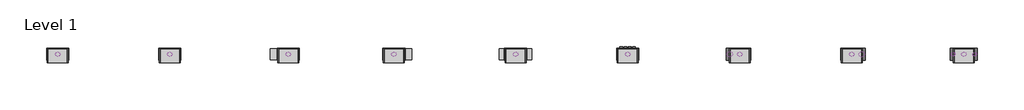
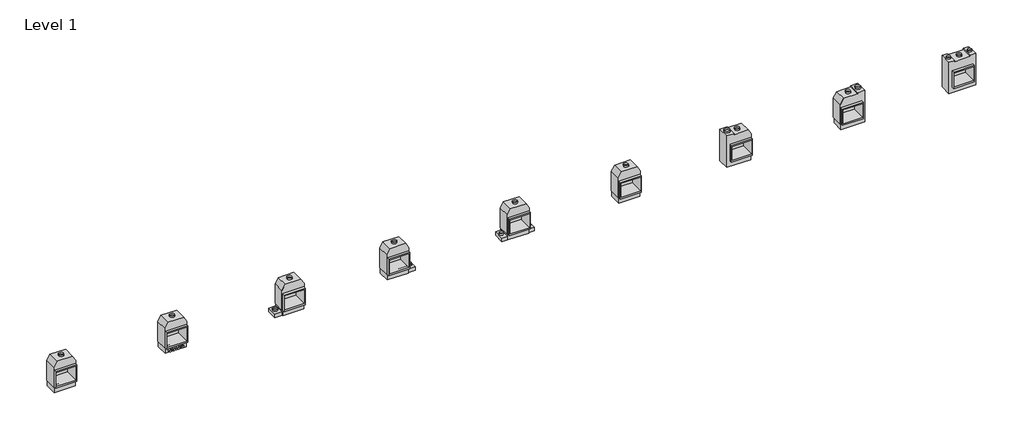
# One storey: 36 proxies.
"""IFC4 building model written with IfcOpenShell, lengths in millimetres."""

import ifcopenshell
import ifcopenshell.guid

model = None  # the IFC model being written
_history = None  # IfcOwnerHistory: only IFC2X3 demands one
_inside = {}  # id of a spatial element -> (the spatial element, [elements in it])
_under = {}  # id of a project, library or spatial element -> (it, [spatial elements below it])
_declared = {}  # id of a project -> (the project, [libraries it declares])
_typed = {}  # id of a type object -> (the type object, [elements of that type])
_made_of = {}  # id of a material, layer set ... -> (it, [elements and type objects made of it])


def new_model(schema):
    """Start an empty IFC model of exactly this schema.

    Asked for "IFC4X3", IfcOpenShell would pick the latest addendum, in which some entities
    have other attributes; the version numbers below select the first issue.
    IFC2X3 requires an IfcOwnerHistory on every rooted entity: one is made here for all.
    """
    global model, _history
    if schema == "IFC4X3":
        model = ifcopenshell.file(schema_version=(4, 3, 0, 0))
    else:
        model = ifcopenshell.file(schema=schema)
    _inside.clear()
    _under.clear()
    _declared.clear()
    _typed.clear()
    _made_of.clear()
    _history = None
    if model.schema == "IFC2X3":
        org = make("IfcOrganization", Name="unknown")
        user = make(
            "IfcPersonAndOrganization",
            ThePerson=make("IfcPerson", FamilyName="unknown"),
            TheOrganization=org,
        )
        app = make(
            "IfcApplication",
            ApplicationDeveloper=org,
            Version="unknown",
            ApplicationFullName="unknown",
            ApplicationIdentifier="unknown",
        )
        _history = make(
            "IfcOwnerHistory",
            OwningUser=user,
            OwningApplication=app,
            ChangeAction="ADDED",
            CreationDate=0,
        )
    return model


def make(cls, **values):
    """One entity of the class cls with the attributes given. An attribute that is None is left unset."""
    return model.create_entity(
        cls, **{name: value for name, value in values.items() if value is not None}
    )


def rooted(cls, **values):
    """An entity with a GlobalId (a new one), such as an element, a storey or a relation."""
    return make(cls, GlobalId=ifcopenshell.guid.new(), OwnerHistory=_history, **values)


def si_unit(unit_type, name, prefix=None):
    """IfcSIUnit, for example si_unit("LENGTHUNIT", "METRE", prefix="MILLI")."""
    return make("IfcSIUnit", UnitType=unit_type, Prefix=prefix, Name=name)


def assignment(units):
    """IfcUnitAssignment: the units of a project."""
    return None if units is None else make("IfcUnitAssignment", Units=units)


def point(xyz):
    """IfcCartesianPoint."""
    return None if xyz is None else make("IfcCartesianPoint", Coordinates=xyz)


def direction(xyz):
    """IfcDirection."""
    return None if xyz is None else make("IfcDirection", DirectionRatios=xyz)


def frame(location, z_axis=None, x_axis=None):
    """IfcAxis2Placement3D, a coordinate frame: its origin and axes. An axis left out is left unset."""
    return make(
        "IfcAxis2Placement3D",
        Location=point(location),
        Axis=direction(z_axis),
        RefDirection=direction(x_axis),
    )


def frame_2d(location, x_axis=None):
    """IfcAxis2Placement2D, a coordinate frame in the plane: its origin and x axis."""
    return make(
        "IfcAxis2Placement2D", Location=point(location), RefDirection=direction(x_axis)
    )


def origin():
    """The frame at (0, 0, 0) with its axes left unset."""
    return frame((0.0, 0.0, 0.0))


def origin_with_axes():
    """The frame at (0, 0, 0) with the z axis (0, 0, 1) and the x axis (1, 0, 0) written out."""
    return frame((0.0, 0.0, 0.0), z_axis=(0.0, 0.0, 1.0), x_axis=(1.0, 0.0, 0.0))


def origin_2d():
    """The frame at (0, 0) in the plane with its x axis left unset."""
    return frame_2d((0.0, 0.0))


def place(relative_to, where):
    """IfcLocalPlacement: puts the frame where relative to a parent placement (None: the world)."""
    return make(
        "IfcLocalPlacement", PlacementRelTo=relative_to, RelativePlacement=where
    )


def context(
    kind, dimensions, precision=None, world=None, true_north=None, identifier=None
):
    """IfcGeometricRepresentationContext, for example the 3D "Model" context."""
    return make(
        "IfcGeometricRepresentationContext",
        ContextIdentifier=identifier,
        ContextType=kind,
        CoordinateSpaceDimension=dimensions,
        Precision=precision,
        WorldCoordinateSystem=world,
        TrueNorth=true_north,
    )


def project(units=None, contexts=None):
    """IfcProject with its units and contexts."""
    return rooted(
        "IfcProject",
        Name="project",
        RepresentationContexts=contexts,
        UnitsInContext=assignment(units),
    )


def spatial(cls, under=None, at=None, **own):
    """A site, building, storey or space (cls), placed at a placement, below another one or the project."""
    s = rooted(cls, ObjectPlacement=at, **own)
    if under is not None:
        _under.setdefault(under.id(), (under, []))[1].append(s)
    return s


def polyline(points):
    """IfcPolyline through the points."""
    return make("IfcPolyline", Points=[point(p) for p in points])


def circle_curve(where, radius):
    """IfcCircle in the frame where."""
    return make("IfcCircle", Position=where, Radius=radius)


def trimmed(basis, trim1, trim2, sense, master):
    """IfcTrimmedCurve: the piece of a basis curve between two trims."""
    return make(
        "IfcTrimmedCurve",
        BasisCurve=basis,
        Trim1=trim1,
        Trim2=trim2,
        SenseAgreement=sense,
        MasterRepresentation=master,
    )


def segment(curve, same_sense, transition):
    """IfcCompositeCurveSegment."""
    return make(
        "IfcCompositeCurveSegment",
        Transition=transition,
        SameSense=same_sense,
        ParentCurve=curve,
    )


def composite_curve(segments, self_intersect=None):
    """IfcCompositeCurve: segments joined end to end."""
    return make("IfcCompositeCurve", Segments=segments, SelfIntersect=self_intersect)


def outline(outer, holes=None, kind="AREA"):
    """IfcArbitraryClosedProfileDef: a profile drawn as a closed curve; with holes, ...WithVoids."""
    if holes is None:
        return make("IfcArbitraryClosedProfileDef", ProfileType=kind, OuterCurve=outer)
    return make(
        "IfcArbitraryProfileDefWithVoids",
        ProfileType=kind,
        OuterCurve=outer,
        InnerCurves=holes,
    )


def extrude(swept, where, along, depth):
    """IfcExtrudedAreaSolid: the profile swept, set in the frame where, extruded along a direction by depth."""
    return make(
        "IfcExtrudedAreaSolid",
        SweptArea=swept,
        Position=where,
        ExtrudedDirection=direction(along),
        Depth=depth,
    )


def faces_of(points, faces, orient=None, outer=None):
    """IfcFace entities. A face is a list of loops; a loop is a list of indices into points, from 0.

    orient and outer hold one flag for each loop. By default every Orientation is true, the
    first loop of a face is its IfcFaceOuterBound and the others are IfcFaceBound.
    """
    made = []
    for i, loops in enumerate(faces):
        bounds = []
        for j, loop in enumerate(loops):
            is_outer = j == 0 if outer is None else outer[i][j]
            bounds.append(
                make(
                    "IfcFaceOuterBound" if is_outer else "IfcFaceBound",
                    Bound=make("IfcPolyLoop", Polygon=[points[k] for k in loop]),
                    Orientation=True if orient is None else orient[i][j],
                )
            )
        made.append(make("IfcFace", Bounds=bounds))
    return made


def faceted_brep(points, faces, orient=None, outer=None, voids=None):
    """IfcFacetedBrep: a solid bounded by flat faces; with voids (closed shells), ...WithVoids."""
    shared = [point(p) for p in points]
    hull = make("IfcClosedShell", CfsFaces=faces_of(shared, faces, orient, outer))
    if voids is None:
        return make("IfcFacetedBrep", Outer=hull)
    return make(
        "IfcFacetedBrepWithVoids",
        Outer=hull,
        Voids=[
            make(cls, CfsFaces=faces_of(shared, fs, o, b)) for cls, fs, o, b in voids
        ],
    )


def shape(context_of_items, identifier, shape_type, items):
    """IfcShapeRepresentation: the items that make up one representation, for example the "Body"."""
    return make(
        "IfcShapeRepresentation",
        ContextOfItems=context_of_items,
        RepresentationIdentifier=identifier,
        RepresentationType=shape_type,
        Items=items,
    )


def source(mapping_origin, context_of_items, identifier, shape_type, items):
    """IfcRepresentationMap: a shape defined once, which mapped items show again and again."""
    return make(
        "IfcRepresentationMap",
        MappingOrigin=mapping_origin,
        MappedRepresentation=shape(context_of_items, identifier, shape_type, items),
    )


def transform(
    local_origin,
    x_axis=None,
    y_axis=None,
    z_axis=None,
    scale=None,
    scale2=None,
    scale3=None,
    uniform=True,
):
    """IfcCartesianTransformationOperator3D, or its non-uniform kind. x_axis, y_axis, z_axis: its Axis1, 2, 3."""
    if uniform:
        return make(
            "IfcCartesianTransformationOperator3D",
            Axis1=direction(x_axis),
            Axis2=direction(y_axis),
            LocalOrigin=point(local_origin),
            Scale=scale,
            Axis3=direction(z_axis),
        )
    return make(
        "IfcCartesianTransformationOperator3DnonUniform",
        Axis1=direction(x_axis),
        Axis2=direction(y_axis),
        LocalOrigin=point(local_origin),
        Scale=scale,
        Axis3=direction(z_axis),
        Scale2=scale2,
        Scale3=scale3,
    )


def mapped(mapping_source, mapping_target):
    """IfcMappedItem: shows the shape of a source again, moved by a transform."""
    return make(
        "IfcMappedItem", MappingSource=mapping_source, MappingTarget=mapping_target
    )


def made_of(thing, what):
    """Note that an element or type object is made of a material, layer set ...; save() writes the relation."""
    if what is not None:
        _made_of.setdefault(what.id(), (what, []))[1].append(thing)
    return thing


def element(
    cls,
    number,
    at=None,
    inside=None,
    cuts=None,
    type_object=None,
    material=None,
    context=None,
    identifier="Body",
    shape_type=None,
    held_by="IfcProductDefinitionShape",
    body=None,
    shapes=None,
    **own,
):
    """One element of the class cls, such as IfcWall. Its Tag is "e" and its number.

    at: its placement. inside: the storey or other place that contains it. cuts: it is an
    opening in that element (IfcRelVoidsElement). A single representation is given by context,
    identifier, shape_type and body (its items); several are given by shapes. held_by: the class
    of the entity that holds the representations. save() writes the other relations.
    """
    e = rooted(cls, Tag="e%d" % number, ObjectPlacement=at, **own)
    if body is not None:
        shapes = [shape(context, identifier, shape_type, body)]
    if shapes is not None:
        e.Representation = make(held_by, Representations=shapes)
    if inside is not None:
        _inside.setdefault(inside.id(), (inside, []))[1].append(e)
    if cuts is not None:
        rooted(
            "IfcRelVoidsElement", RelatingBuildingElement=cuts, RelatedOpeningElement=e
        )
    if type_object is not None:
        _typed.setdefault(type_object.id(), (type_object, []))[1].append(e)
    return made_of(e, material)


def aggregate(whole, parts):
    """IfcRelAggregates: a whole, such as a stair, and the parts it consists of."""
    return rooted("IfcRelAggregates", RelatingObject=whole, RelatedObjects=parts)


def save(model, path):
    """Write the relations noted so far, then the file.

    IfcRelAggregates (storeys below a building ...), IfcRelContainedInSpatialStructure (elements
    in a storey), IfcRelDefinesByType, IfcRelAssociatesMaterial and IfcRelDeclares: one each for
    every whole, place, type object, material and project.
    """
    for whole, parts in _under.values():
        aggregate(whole, parts)
    for where, things in _inside.values():
        rooted(
            "IfcRelContainedInSpatialStructure",
            RelatedElements=things,
            RelatingStructure=where,
        )
    for kind, things in _typed.values():
        rooted("IfcRelDefinesByType", RelatedObjects=things, RelatingType=kind)
    for what, things in _made_of.values():
        rooted("IfcRelAssociatesMaterial", RelatedObjects=things, RelatingMaterial=what)
    for by, libraries in _declared.values():
        rooted("IfcRelDeclares", RelatingContext=by, RelatedDefinitions=libraries)
    model.write(path)


def as_specified_c74ec6d7(model_context):
    return source(origin(), model_context, "Body", "SolidModel", [
        extrude(outline(polyline([(660.4, 465.4351562), (660.4, -633.1148438), (-660.4, -633.1148438), (-660.4, 465.4351562), (660.4, 465.4351562)]), holes=[polyline([(-609.6, 389.2748437), (-609.6, -525.1251563), (609.6, -525.1251563), (609.6, 389.2748437), (-609.6, 389.2748437)])]), frame((0.0, 0.0, -762.0), z_axis=(0.0, 0.0, 1.0), x_axis=(1.0, 0.0, 0.0)), (0.0, 0.0, 1.0), 901.7),
        faceted_brep([(660.4, -1014.1148438, -787.4), (-660.4, -1014.1148438, -787.4), (-660.4, -633.1148438, -787.4), (-698.5, -633.1148438, -787.4), (-698.5, 668.6748437, -787.4), (-499.060123, 1014.1148437, -787.4), (499.060123, 1014.1148437, -787.4), (698.5, 668.6748437, -787.4), (698.5, -633.1148438, -787.4), (660.4, -633.1148438, -787.4), (660.4, -1014.1148438, -25.4), (660.4, -633.1148438, -25.4), (698.5, -633.1148438, -25.4), (698.5, 668.6748437, -25.4), (499.060123, 1014.1148437, -25.4), (-499.060123, 1014.1148437, -25.4), (-698.5, 668.6748437, -25.4), (-698.5, -633.1148438, -25.4), (-660.4, -633.1148438, -25.4), (-660.4, -1014.1148438, -25.4), (609.6, 389.2748437, -25.4), (609.6, -525.1251563, -25.4), (-609.6, -525.1251563, -25.4), (-609.6, 389.2748437, -25.4), (609.6, 389.2748437, -762.0), (-609.6, 389.2748437, -762.0), (-609.6, -525.1251563, -762.0), (609.6, -525.1251563, -762.0)], [[[0, 1, 2, 3, 4, 5, 6, 7, 8, 9]], [[10, 11, 12, 13, 14, 15, 16, 17, 18, 19], [20, 21, 22, 23]], [[6, 5, 15, 14]], [[3, 17, 16, 4]], [[17, 3, 2, 18]], [[8, 12, 11, 9]], [[12, 8, 7, 13]], [[0, 9, 11, 10]], [[2, 1, 19, 18]], [[1, 0, 10, 19]], [[5, 4, 16, 15]], [[7, 6, 14, 13]], [[24, 25, 26, 27]], [[24, 27, 21, 20]], [[27, 26, 22, 21]], [[26, 25, 23, 22]], [[25, 24, 20, 23]]]),
    ])


def as_specified_68fc93c4(model_context):
    return source(origin(), model_context, "Body", "SolidModel", [
        extrude(outline(polyline([(660.4, 465.534375), (660.4, -633.015625), (-660.4, -633.015625), (-660.4, 465.534375), (660.4, 465.534375)]), holes=[polyline([(-609.6, 389.3740625), (-609.6, -525.0259375), (609.6, -525.0259375), (609.6, 389.3740625), (-609.6, 389.3740625)])]), frame((0.0, 0.0, -762.0), z_axis=(0.0, 0.0, 1.0), x_axis=(1.0, 0.0, 0.0)), (0.0, 0.0, 1.0), 901.7),
        faceted_brep([(850.9, -1014.015625, -787.4), (-850.9, -1014.015625, -787.4), (-850.9, 1090.374375, -787.4), (-495.3, 1090.374375, -787.4), (-495.3, 1014.015625, -787.4), (495.3, 1014.015625, -787.4), (495.3, 1090.374375, -787.4), (850.9, 1090.374375, -787.4), (850.9, 1090.374375, -25.4), (495.3, 1090.374375, -25.4), (495.3, 1014.015625, -25.4), (-495.3, 1014.015625, -25.4), (-495.3, 1090.374375, -25.4), (-850.9, 1090.374375, -25.4), (-850.9, -1014.015625, -25.4), (850.9, -1014.015625, -25.4), (609.6, 389.3740625, -25.4), (609.6, -525.0259375, -25.4), (-609.6, -525.0259375, -25.4), (-609.6, 389.3740625, -25.4), (609.6, 389.3740625, -762.0), (-609.6, 389.3740625, -762.0), (-609.6, -525.0259375, -762.0), (609.6, -525.0259375, -762.0)], [[[0, 1, 2, 3, 4, 5, 6, 7]], [[8, 9, 10, 11, 12, 13, 14, 15], [16, 17, 18, 19]], [[4, 11, 10, 5]], [[14, 1, 0, 15]], [[20, 21, 22, 23]], [[20, 23, 17, 16]], [[23, 22, 18, 17]], [[22, 21, 19, 18]], [[21, 20, 16, 19]], [[1, 14, 13, 2]], [[0, 7, 8, 15]], [[3, 2, 13, 12]], [[4, 3, 12, 11]], [[7, 6, 9, 8]], [[6, 5, 10, 9]]]),
    ])


def as_specified_e0f80847(model_context):
    return source(origin(), model_context, "Body", "SolidModel", [
        extrude(outline(polyline([(660.4, 465.4351562), (660.4, -633.1148438), (-660.4, -633.1148438), (-660.4, 465.4351562), (660.4, 465.4351562)]), holes=[polyline([(-609.6, 389.2748437), (-609.6, -525.1251563), (609.6, -525.1251563), (609.6, 389.2748437), (-609.6, 389.2748437)])]), frame((0.0, 0.0, -762.0), z_axis=(0.0, 0.0, 1.0), x_axis=(1.0, 0.0, 0.0)), (0.0, 0.0, 1.0), 901.7),
        faceted_brep([(660.4, -633.1148438, -787.4), (660.4, -1014.1148438, -787.4), (-850.9, -1014.1148438, -787.4), (-850.9, 1090.2751562, -787.4), (-393.7, 1090.2751562, -787.4), (-393.7, 1014.1148437, -787.4), (499.060123, 1014.1148437, -787.4), (698.5, 709.6233299, -787.4), (698.5, -633.1148438, -787.4), (660.4, -1014.1148438, -25.4), (660.4, -633.1148438, -25.4), (698.5, -633.1148438, -25.4), (698.5, 709.6233299, -25.4), (499.060123, 1014.1148437, -25.4), (-393.7, 1014.1148437, -25.4), (-393.7, 1090.2751562, -25.4), (-850.9, 1090.2751562, -25.4), (-850.9, -1014.1148438, -25.4), (609.6, 389.2748437, -25.4), (609.6, -525.1251563, -25.4), (-609.6, -525.1251563, -25.4), (-609.6, 389.2748437, -25.4), (609.6, 389.2748437, -762.0), (-609.6, 389.2748437, -762.0), (-609.6, -525.1251563, -762.0), (609.6, -525.1251563, -762.0)], [[[0, 1, 2, 3, 4, 5, 6, 7, 8]], [[9, 10, 11, 12, 13, 14, 15, 16, 17], [18, 19, 20, 21]], [[13, 6, 5, 14]], [[8, 11, 10, 0]], [[11, 8, 7, 12]], [[1, 0, 10, 9]], [[1, 9, 17, 2]], [[7, 6, 13, 12]], [[22, 23, 24, 25]], [[22, 25, 19, 18]], [[25, 24, 20, 19]], [[24, 23, 21, 20]], [[23, 22, 18, 21]], [[3, 2, 17, 16]], [[5, 4, 15, 14]], [[4, 3, 16, 15]]]),
    ])


def as_specified_18c3cc98(model_context):
    return source(origin(), model_context, "Body", "SolidModel", [
        extrude(outline(polyline([(660.4, 465.4351562), (660.4, -633.1148438), (-660.4, -633.1148438), (-660.4, 465.4351562), (660.4, 465.4351562)]), holes=[polyline([(-609.6, 389.2748437), (-609.6, -525.1251563), (609.6, -525.1251563), (609.6, 389.2748437), (-609.6, 389.2748437)])]), frame((0.0, 0.0, -762.0), z_axis=(0.0, 0.0, 1.0), x_axis=(1.0, 0.0, 0.0)), (0.0, 0.0, 1.0), 901.7),
        faceted_brep([(-660.4, -1014.1148438, -787.4), (-660.4, -633.1148438, -787.4), (-698.5, -633.1148438, -787.4), (-698.5, 668.6748437, -787.4), (-499.060123, 1014.1148437, -787.4), (393.7, 1014.1148437, -787.4), (393.7, 1090.2751562, -787.4), (850.9, 1090.2751562, -787.4), (850.9, -1014.1148438, -787.4), (-660.4, -633.1148438, -25.4), (-660.4, -1014.1148438, -25.4), (850.9, -1014.1148438, -25.4), (850.9, 1090.2751562, -25.4), (393.7, 1090.2751562, -25.4), (393.7, 1014.1148437, -25.4), (-499.060123, 1014.1148437, -25.4), (-698.5, 668.6748437, -25.4), (-698.5, -633.1148438, -25.4), (609.6, 389.2748437, -25.4), (609.6, -525.1251563, -25.4), (-609.6, -525.1251563, -25.4), (-609.6, 389.2748437, -25.4), (609.6, 389.2748437, -762.0), (-609.6, 389.2748437, -762.0), (-609.6, -525.1251563, -762.0), (609.6, -525.1251563, -762.0)], [[[0, 1, 2, 3, 4, 5, 6, 7, 8]], [[9, 10, 11, 12, 13, 14, 15, 16, 17], [18, 19, 20, 21]], [[4, 15, 14, 5]], [[2, 17, 16, 3]], [[17, 2, 1, 9]], [[1, 0, 10, 9]], [[10, 0, 8, 11]], [[4, 3, 16, 15]], [[22, 23, 24, 25]], [[22, 25, 19, 18]], [[25, 24, 20, 19]], [[24, 23, 21, 20]], [[23, 22, 18, 21]], [[8, 7, 12, 11]], [[6, 5, 14, 13]], [[7, 6, 13, 12]]]),
    ])


def as_specified_1da4c982(model_context):
    return source(origin(), model_context, "Body", "SolidModel", [
        extrude(outline(polyline([(660.4, -1014.1148438), (660.4, -785.5148438), (1016.0, -785.5148438), (1016.0, -1014.1148438), (660.4, -1014.1148438)])), frame((0.0, 0.0, -749.3), z_axis=(0.0, 0.0, 1.0), x_axis=(1.0, 0.0, 0.0)), (0.0, 0.0, 1.0), 685.8),
        extrude(outline(polyline([(-660.4, -1014.1148438), (-1016.0, -1014.1148438), (-1016.0, -785.5148438), (-660.4, -785.5148438), (-660.4, -1014.1148438)])), frame((0.0, 0.0, -749.3), z_axis=(0.0, 0.0, 1.0), x_axis=(1.0, 0.0, 0.0)), (0.0, 0.0, 1.0), 685.8),
        extrude(outline(polyline([(660.4, 465.4351562), (660.4, -633.1148438), (-660.4, -633.1148438), (-660.4, 465.4351562), (660.4, 465.4351562)]), holes=[polyline([(-609.6, 389.2748437), (-609.6, -525.1251563), (609.6, -525.1251563), (609.6, 389.2748437), (-609.6, 389.2748437)])]), frame((0.0, 0.0, -762.0), z_axis=(0.0, 0.0, 1.0), x_axis=(1.0, 0.0, 0.0)), (0.0, 0.0, 1.0), 901.7),
        faceted_brep([(660.4, -1014.1148438, -787.4), (-660.4, -1014.1148438, -787.4), (-660.4, -633.1148438, -787.4), (-698.5, -633.1148438, -787.4), (-698.5, 668.6748437, -787.4), (-499.060123, 1014.1148437, -787.4), (499.060123, 1014.1148437, -787.4), (698.5, 668.6748437, -787.4), (698.5, -633.1148438, -787.4), (660.4, -633.1148438, -787.4), (660.4, -1014.1148438, -25.4), (660.4, -633.1148438, -25.4), (698.5, -633.1148438, -25.4), (698.5, 668.6748437, -25.4), (499.060123, 1014.1148437, -25.4), (-499.060123, 1014.1148437, -25.4), (-698.5, 668.6748437, -25.4), (-698.5, -633.1148438, -25.4), (-660.4, -633.1148438, -25.4), (-660.4, -1014.1148438, -25.4), (609.6, 389.2748437, -25.4), (609.6, -525.1251563, -25.4), (-609.6, -525.1251563, -25.4), (-609.6, 389.2748437, -25.4), (609.6, 389.2748437, -762.0), (-609.6, 389.2748437, -762.0), (-609.6, -525.1251563, -762.0), (609.6, -525.1251563, -762.0)], [[[0, 1, 2, 3, 4, 5, 6, 7, 8, 9]], [[10, 11, 12, 13, 14, 15, 16, 17, 18, 19], [20, 21, 22, 23]], [[6, 5, 15, 14]], [[3, 17, 16, 4]], [[17, 3, 2, 18]], [[8, 12, 11, 9]], [[12, 8, 7, 13]], [[0, 9, 11, 10]], [[2, 1, 19, 18]], [[1, 0, 10, 19]], [[5, 4, 16, 15]], [[7, 6, 14, 13]], [[24, 25, 26, 27]], [[24, 27, 21, 20]], [[27, 26, 22, 21]], [[26, 25, 23, 22]], [[25, 24, 20, 23]]]),
    ])


def as_specified_b45c2ce6(model_context):
    return source(origin(), model_context, "Body", "SolidModel", [
        extrude(outline(polyline([(-660.4, -1014.1148438), (-1117.6, -1014.1148438), (-1117.6, -785.5148438), (-660.4, -785.5148438), (-660.4, -1014.1148438)])), frame((0.0, 0.0, -749.3), z_axis=(0.0, 0.0, 1.0), x_axis=(1.0, 0.0, 0.0)), (0.0, 0.0, 1.0), 685.8),
        extrude(outline(polyline([(660.4, 465.4351562), (660.4, -633.1148438), (-660.4, -633.1148438), (-660.4, 465.4351562), (660.4, 465.4351562)]), holes=[polyline([(-609.6, 389.2748437), (-609.6, -525.1251563), (609.6, -525.1251563), (609.6, 389.2748437), (-609.6, 389.2748437)])]), frame((0.0, 0.0, -762.0), z_axis=(0.0, 0.0, 1.0), x_axis=(1.0, 0.0, 0.0)), (0.0, 0.0, 1.0), 901.7),
        faceted_brep([(660.4, -1014.1148438, -787.4), (-660.4, -1014.1148438, -787.4), (-660.4, -633.1148438, -787.4), (-698.5, -633.1148438, -787.4), (-698.5, 668.6748437, -787.4), (-499.060123, 1014.1148437, -787.4), (499.060123, 1014.1148437, -787.4), (698.5, 668.6748437, -787.4), (698.5, -633.1148438, -787.4), (660.4, -633.1148438, -787.4), (660.4, -1014.1148438, -25.4), (660.4, -633.1148438, -25.4), (698.5, -633.1148438, -25.4), (698.5, 668.6748437, -25.4), (499.060123, 1014.1148437, -25.4), (-499.060123, 1014.1148437, -25.4), (-698.5, 668.6748437, -25.4), (-698.5, -633.1148438, -25.4), (-660.4, -633.1148438, -25.4), (-660.4, -1014.1148438, -25.4), (609.6, 389.2748437, -25.4), (609.6, -525.1251563, -25.4), (-609.6, -525.1251563, -25.4), (-609.6, 389.2748437, -25.4), (609.6, 389.2748437, -762.0), (-609.6, 389.2748437, -762.0), (-609.6, -525.1251563, -762.0), (609.6, -525.1251563, -762.0)], [[[0, 1, 2, 3, 4, 5, 6, 7, 8, 9]], [[10, 11, 12, 13, 14, 15, 16, 17, 18, 19], [20, 21, 22, 23]], [[6, 5, 15, 14]], [[3, 17, 16, 4]], [[17, 3, 2, 18]], [[8, 12, 11, 9]], [[12, 8, 7, 13]], [[0, 9, 11, 10]], [[2, 1, 19, 18]], [[1, 0, 10, 19]], [[5, 4, 16, 15]], [[7, 6, 14, 13]], [[24, 25, 26, 27]], [[24, 27, 21, 20]], [[27, 26, 22, 21]], [[26, 25, 23, 22]], [[25, 24, 20, 23]]]),
    ])


def as_specified_1a4ea929(model_context):
    return source(origin(), model_context, "Body", "SolidModel", [
        extrude(outline(polyline([(660.4, -1014.1148438), (660.4, -785.5148438), (1117.6, -785.5148438), (1117.6, -1014.1148438), (660.4, -1014.1148438)])), frame((0.0, 0.0, -749.3), z_axis=(0.0, 0.0, 1.0), x_axis=(1.0, 0.0, 0.0)), (0.0, 0.0, 1.0), 685.8),
        extrude(outline(polyline([(660.4, 465.4351562), (660.4, -633.1148438), (-660.4, -633.1148438), (-660.4, 465.4351562), (660.4, 465.4351562)]), holes=[polyline([(-609.6, 389.2748437), (-609.6, -525.1251563), (609.6, -525.1251563), (609.6, 389.2748437), (-609.6, 389.2748437)])]), frame((0.0, 0.0, -762.0), z_axis=(0.0, 0.0, 1.0), x_axis=(1.0, 0.0, 0.0)), (0.0, 0.0, 1.0), 901.7),
        faceted_brep([(660.4, -1014.1148438, -787.4), (-660.4, -1014.1148438, -787.4), (-660.4, -633.1148438, -787.4), (-698.5, -633.1148438, -787.4), (-698.5, 668.6748437, -787.4), (-499.060123, 1014.1148437, -787.4), (499.060123, 1014.1148437, -787.4), (698.5, 668.6748437, -787.4), (698.5, -633.1148438, -787.4), (660.4, -633.1148438, -787.4), (660.4, -1014.1148438, -25.4), (660.4, -633.1148438, -25.4), (698.5, -633.1148438, -25.4), (698.5, 668.6748437, -25.4), (499.060123, 1014.1148437, -25.4), (-499.060123, 1014.1148437, -25.4), (-698.5, 668.6748437, -25.4), (-698.5, -633.1148438, -25.4), (-660.4, -633.1148438, -25.4), (-660.4, -1014.1148438, -25.4), (609.6, 389.2748437, -25.4), (609.6, -525.1251563, -25.4), (-609.6, -525.1251563, -25.4), (-609.6, 389.2748437, -25.4), (609.6, 389.2748437, -762.0), (-609.6, 389.2748437, -762.0), (-609.6, -525.1251563, -762.0), (609.6, -525.1251563, -762.0)], [[[0, 1, 2, 3, 4, 5, 6, 7, 8, 9]], [[10, 11, 12, 13, 14, 15, 16, 17, 18, 19], [20, 21, 22, 23]], [[6, 5, 15, 14]], [[3, 17, 16, 4]], [[17, 3, 2, 18]], [[8, 12, 11, 9]], [[12, 8, 7, 13]], [[0, 9, 11, 10]], [[2, 1, 19, 18]], [[1, 0, 10, 19]], [[5, 4, 16, 15]], [[7, 6, 14, 13]], [[24, 25, 26, 27]], [[24, 27, 21, 20]], [[27, 26, 22, 21]], [[26, 25, 23, 22]], [[25, 24, 20, 23]]]),
    ])


def proxy_d1c08f61(model_context):
    return source(origin(), model_context, "Body", "SweptSolid", [
        extrude(outline(composite_curve([segment(trimmed(circle_curve(origin_2d(), 127.0), [point((-127.0, 0.0))], [point((127.0, 0.0))], False, "CARTESIAN"), True, "CONTINUOUS"), segment(trimmed(circle_curve(origin_2d(), 127.0), [point((127.0, 0.0))], [point((-127.0, 0.0))], False, "CARTESIAN"), True, "CONTINUOUS")], self_intersect=False), holes=[composite_curve([segment(trimmed(circle_curve(origin_2d(), 125.4125), [point((-125.4125, 0.0))], [point((125.4125, 0.0))], True, "CARTESIAN"), True, "CONTINUOUS"), segment(trimmed(circle_curve(origin_2d(), 125.4125), [point((125.4125, 0.0))], [point((-125.4125, 0.0))], True, "CARTESIAN"), True, "CONTINUOUS")], self_intersect=False)]), origin_with_axes(), (0.0, 0.0, 1.0), 25.4),
    ])


def proxy_814ff0a6(model_context):
    return source(origin(), model_context, "Body", "SweptSolid", [
        extrude(outline(composite_curve([segment(trimmed(circle_curve(origin_2d(), 149.225), [point((-149.225, 0.0))], [point((149.225, 0.0))], False, "CARTESIAN"), True, "CONTINUOUS"), segment(trimmed(circle_curve(origin_2d(), 149.225), [point((149.225, 0.0))], [point((-149.225, 0.0))], False, "CARTESIAN"), True, "CONTINUOUS")], self_intersect=False), holes=[composite_curve([segment(trimmed(circle_curve(origin_2d(), 147.6375), [point((-147.6375, 0.0))], [point((147.6375, 0.0))], True, "CARTESIAN"), True, "CONTINUOUS"), segment(trimmed(circle_curve(origin_2d(), 147.6375), [point((147.6375, 0.0))], [point((-147.6375, 0.0))], True, "CARTESIAN"), True, "CONTINUOUS")], self_intersect=False)]), origin_with_axes(), (0.0, 0.0, 1.0), 101.6),
    ])


def proxy_99ad690b(model_context):
    return source(origin(), model_context, "Body", "SweptSolid", [
        extrude(outline(composite_curve([segment(trimmed(circle_curve(origin_2d(), 174.625), [point((-174.625, 0.0))], [point((174.625, 0.0))], False, "CARTESIAN"), True, "CONTINUOUS"), segment(trimmed(circle_curve(origin_2d(), 174.625), [point((174.625, 0.0))], [point((-174.625, 0.0))], False, "CARTESIAN"), True, "CONTINUOUS")], self_intersect=False), holes=[composite_curve([segment(trimmed(circle_curve(origin_2d(), 173.0375), [point((-173.0375, 0.0))], [point((173.0375, 0.0))], True, "CARTESIAN"), True, "CONTINUOUS"), segment(trimmed(circle_curve(origin_2d(), 173.0375), [point((173.0375, 0.0))], [point((-173.0375, 0.0))], True, "CARTESIAN"), True, "CONTINUOUS")], self_intersect=False)]), origin_with_axes(), (0.0, 0.0, 1.0), 101.6),
    ])


def proxy_768d9d94(model_context):
    return source(origin(), model_context, "Body", "SweptSolid", [
        extrude(outline(composite_curve([segment(trimmed(circle_curve(origin_2d(), 176.2125), [point((-176.2125, 0.0))], [point((176.2125, 0.0))], False, "CARTESIAN"), True, "CONTINUOUS"), segment(trimmed(circle_curve(origin_2d(), 176.2125), [point((176.2125, 0.0))], [point((-176.2125, 0.0))], False, "CARTESIAN"), True, "CONTINUOUS")], self_intersect=False), holes=[composite_curve([segment(trimmed(circle_curve(origin_2d(), 174.625), [point((-174.625, 0.0))], [point((174.625, 0.0))], True, "CARTESIAN"), True, "CONTINUOUS"), segment(trimmed(circle_curve(origin_2d(), 174.625), [point((174.625, 0.0))], [point((-174.625, 0.0))], True, "CARTESIAN"), True, "CONTINUOUS")], self_intersect=False)]), origin_with_axes(), (0.0, 0.0, 1.0), 101.6),
    ])


def proxy_925fb795(model_context):
    return source(origin(), model_context, "Body", "SweptSolid", [
        extrude(outline(composite_curve([segment(trimmed(circle_curve(origin_2d(), 150.8125), [point((-150.8125, 0.0))], [point((150.8125, 0.0))], False, "CARTESIAN"), True, "CONTINUOUS"), segment(trimmed(circle_curve(origin_2d(), 150.8125), [point((150.8125, 0.0))], [point((-150.8125, 0.0))], False, "CARTESIAN"), True, "CONTINUOUS")], self_intersect=False), holes=[composite_curve([segment(trimmed(circle_curve(origin_2d(), 149.225), [point((-149.225, 0.0))], [point((149.225, 0.0))], True, "CARTESIAN"), True, "CONTINUOUS"), segment(trimmed(circle_curve(origin_2d(), 149.225), [point((149.225, 0.0))], [point((-149.225, 0.0))], True, "CARTESIAN"), True, "CONTINUOUS")], self_intersect=False)]), origin_with_axes(), (0.0, 0.0, 1.0), 101.6),
    ])


def proxy_180c3a72(model_context):
    return source(origin(), model_context, "Body", "SweptSolid", [
        extrude(outline(composite_curve([segment(trimmed(circle_curve(origin_2d(), 87.3125), [point((-87.3125, 0.0))], [point((87.3125, 0.0))], False, "CARTESIAN"), True, "CONTINUOUS"), segment(trimmed(circle_curve(origin_2d(), 87.3125), [point((87.3125, 0.0))], [point((-87.3125, 0.0))], False, "CARTESIAN"), True, "CONTINUOUS")], self_intersect=False), holes=[composite_curve([segment(trimmed(circle_curve(origin_2d(), 85.725), [point((-85.725, 0.0))], [point((85.725, 0.0))], True, "CARTESIAN"), True, "CONTINUOUS"), segment(trimmed(circle_curve(origin_2d(), 85.725), [point((85.725, 0.0))], [point((-85.725, 0.0))], True, "CARTESIAN"), True, "CONTINUOUS")], self_intersect=False)]), origin_with_axes(), (0.0, 0.0, 1.0), 101.6),
    ])


def proxy_41967977(model_context):
    return source(origin(), model_context, "Body", "SweptSolid", [
        extrude(outline(composite_curve([segment(trimmed(circle_curve(origin_2d(), 125.4125), [point((-125.4125, 0.0))], [point((125.4125, 0.0))], False, "CARTESIAN"), True, "CONTINUOUS"), segment(trimmed(circle_curve(origin_2d(), 125.4125), [point((125.4125, 0.0))], [point((-125.4125, 0.0))], False, "CARTESIAN"), True, "CONTINUOUS")], self_intersect=False), holes=[composite_curve([segment(trimmed(circle_curve(origin_2d(), 123.825), [point((-123.825, 0.0))], [point((123.825, 0.0))], True, "CARTESIAN"), True, "CONTINUOUS"), segment(trimmed(circle_curve(origin_2d(), 123.825), [point((123.825, 0.0))], [point((-123.825, 0.0))], True, "CARTESIAN"), True, "CONTINUOUS")], self_intersect=False)]), origin_with_axes(), (0.0, 0.0, 1.0), 101.6),
    ])


model = new_model("IFC4")

# Units and contexts
model_context = context("Model", 3, world=origin())
ifc_project = project(units=[si_unit("LENGTHUNIT", "METRE", prefix="MILLI")], contexts=[model_context])

# Site, building, storey
site = spatial("IfcSite", under=ifc_project)
building = spatial("IfcBuilding", under=site)
storey = spatial("IfcBuildingStorey", under=building, Name="Level 1", Elevation=0.0)

# Proxies
placement = place(None, origin())
as_specified_shape = as_specified_c74ec6d7(model_context)
element("IfcBuildingElementProxy", 1, Name="As Specified", ObjectType="As Specified", at=placement, inside=storey, context=model_context, shape_type="MappedRepresentation", body=[
    mapped(as_specified_shape, transform((21801.6574402, 1616.7712992, 1219.2), x_axis=(1.0, 0.0, 0.0), y_axis=(0.0, 0.0, 1.0), z_axis=(0.0, -1.0, 0.0))),
])
as_specified_2_shape = as_specified_68fc93c4(model_context)
element("IfcBuildingElementProxy", 2, Name="As Specified", ObjectType="As Specified", at=placement, inside=storey, context=model_context, shape_type="MappedRepresentation", body=[
    mapped(as_specified_2_shape, transform((42832.8574402, 1616.7712992, 1219.2), x_axis=(1.0, 0.0, 0.0), y_axis=(0.0, 0.0, 1.0), z_axis=(0.0, -1.0, 0.0))),
])
as_specified_3_shape = as_specified_e0f80847(model_context)
element("IfcBuildingElementProxy", 3, Name="As Specified", ObjectType="As Specified", at=placement, inside=storey, context=model_context, shape_type="MappedRepresentation", body=[
    mapped(as_specified_3_shape, transform((28812.0574402, 1616.7712992, 1219.2), x_axis=(1.0, 0.0, 0.0), y_axis=(0.0, 0.0, 1.0), z_axis=(0.0, -1.0, 0.0))),
])
as_specified_4_shape = as_specified_18c3cc98(model_context)
element("IfcBuildingElementProxy", 4, Name="As Specified", ObjectType="As Specified", at=placement, inside=storey, context=model_context, shape_type="MappedRepresentation", body=[
    mapped(as_specified_4_shape, transform((35822.4574402, 1616.7712992, 1219.2), x_axis=(1.0, 0.0, 0.0), y_axis=(0.0, 0.0, 1.0), z_axis=(0.0, -1.0, 0.0))),
])
element("IfcBuildingElementProxy", 5, Name="As Specified", ObjectType="As Specified", at=placement, inside=storey, context=model_context, shape_type="MappedRepresentation", body=[
    mapped(as_specified_shape, transform((-13859.9425598, 1616.7712992, 1066.8), x_axis=(1.0, 0.0, 0.0), y_axis=(0.0, 0.0, 1.0), z_axis=(0.0, -1.0, 0.0))),
])
element("IfcBuildingElementProxy", 6, Name="As Specified", ObjectType="As Specified", at=placement, inside=storey, context=model_context, shape_type="MappedRepresentation", body=[
    mapped(as_specified_shape, transform((-6849.5425598, 1616.7712992, 1219.2), x_axis=(1.0, 0.0, 0.0), y_axis=(0.0, 0.0, 1.0), z_axis=(0.0, -1.0, 0.0))),
])
as_specified_5_shape = as_specified_1da4c982(model_context)
element("IfcBuildingElementProxy", 7, Name="As Specified", ObjectType="As Specified", at=placement, inside=storey, context=model_context, shape_type="MappedRepresentation", body=[
    mapped(as_specified_5_shape, transform((14791.2574402, 1616.7712992, 1219.2), x_axis=(1.0, 0.0, 0.0), y_axis=(0.0, 0.0, 1.0), z_axis=(0.0, -1.0, 0.0))),
])
as_specified_6_shape = as_specified_b45c2ce6(model_context)
element("IfcBuildingElementProxy", 8, Name="As Specified", ObjectType="As Specified", at=placement, inside=storey, context=model_context, shape_type="MappedRepresentation", body=[
    mapped(as_specified_6_shape, transform((565.6597121, 1616.7712992, 1144.6311604), x_axis=(1.0, 0.0, 0.0), y_axis=(0.0, 0.0, 1.0), z_axis=(0.0, -1.0, 0.0))),
])
as_specified_7_shape = as_specified_1a4ea929(model_context)
element("IfcBuildingElementProxy", 9, Name="As Specified", ObjectType="As Specified", at=placement, inside=storey, context=model_context, shape_type="MappedRepresentation", body=[
    mapped(as_specified_7_shape, transform((7171.2574402, 1616.7712992, 1219.2), x_axis=(1.0, 0.0, 0.0), y_axis=(0.0, 0.0, 1.0), z_axis=(0.0, -1.0, 0.0))),
])
proxy_shape = proxy_d1c08f61(model_context)
element("IfcBuildingElementProxy", 10, Name="Duct Dia : 10\" Dia", ObjectType="Duct Dia : 10\" Dia", at=placement, inside=storey, context=model_context, shape_type="MappedRepresentation", body=[
    mapped(proxy_shape, transform((-13453.5425598, 2023.1712992, 52.6851562), x_axis=(-1.0, 0.0, 0.0), y_axis=(0.0, 1.0, 0.0), z_axis=(0.0, 0.0, -1.0))),
])
element("IfcBuildingElementProxy", 11, Name="Duct Dia : 10\" Dia", ObjectType="Duct Dia : 10\" Dia", at=placement, inside=storey, context=model_context, shape_type="MappedRepresentation", body=[
    mapped(proxy_shape, transform((-14266.3425598, 2023.1712992, 52.6851562), x_axis=(-1.0, 0.0, 0.0), y_axis=(0.0, 1.0, 0.0), z_axis=(0.0, 0.0, -1.0))),
])
proxy_2_shape = proxy_814ff0a6(model_context)
element("IfcBuildingElementProxy", 12, Name="Duct Dia : 11 3/4\" Dia", ObjectType="Duct Dia : 11 3/4\" Dia", at=placement, inside=storey, context=model_context, shape_type="MappedRepresentation", body=[
    mapped(proxy_2_shape, transform((-13859.9425598, 2023.1712992, 2080.9148438), x_axis=(1.0, 0.0, 0.0), y_axis=(0.0, 1.0, 0.0), z_axis=(0.0, 0.0, 1.0))),
])
element("IfcBuildingElementProxy", 13, Name="Duct Dia : 11 3/4\" Dia", ObjectType="Duct Dia : 11 3/4\" Dia", at=placement, inside=storey, context=model_context, shape_type="MappedRepresentation", body=[
    mapped(proxy_2_shape, transform((-6849.5425598, 2023.1712992, 2233.3148437), x_axis=(1.0, 0.0, 0.0), y_axis=(0.0, 1.0, 0.0), z_axis=(0.0, 0.0, 1.0))),
])
element("IfcBuildingElementProxy", 14, Name="Duct Dia : 11 3/4\" Dia", ObjectType="Duct Dia : 11 3/4\" Dia", at=placement, inside=storey, context=model_context, shape_type="MappedRepresentation", body=[
    mapped(proxy_2_shape, transform((565.6597121, 2023.1712992, 2158.7460042), x_axis=(1.0, 0.0, 0.0), y_axis=(0.0, 1.0, 0.0), z_axis=(0.0, 0.0, 1.0))),
])
element("IfcBuildingElementProxy", 15, Name="Duct Dia : 11 3/4\" Dia", ObjectType="Duct Dia : 11 3/4\" Dia", at=placement, inside=storey, context=model_context, shape_type="MappedRepresentation", body=[
    mapped(proxy_2_shape, transform((7171.2574402, 2023.1712992, 2233.3148437), x_axis=(1.0, 0.0, 0.0), y_axis=(0.0, 1.0, 0.0), z_axis=(0.0, 0.0, 1.0))),
])
element("IfcBuildingElementProxy", 16, Name="Duct Dia : 11 3/4\" Dia", ObjectType="Duct Dia : 11 3/4\" Dia", at=placement, inside=storey, context=model_context, shape_type="MappedRepresentation", body=[
    mapped(proxy_2_shape, transform((14791.2574402, 2023.1712992, 2233.3148437), x_axis=(1.0, 0.0, 0.0), y_axis=(0.0, 1.0, 0.0), z_axis=(0.0, 0.0, 1.0))),
])
element("IfcBuildingElementProxy", 17, Name="Duct Dia : 11 3/4\" Dia", ObjectType="Duct Dia : 11 3/4\" Dia", at=placement, inside=storey, context=model_context, shape_type="MappedRepresentation", body=[
    mapped(proxy_2_shape, transform((21801.6574402, 2023.1712992, 2233.3148437), x_axis=(1.0, 0.0, 0.0), y_axis=(0.0, 1.0, 0.0), z_axis=(0.0, 0.0, 1.0))),
])
element("IfcBuildingElementProxy", 18, Name="Duct Dia : 11 3/4\" Dia", ObjectType="Duct Dia : 11 3/4\" Dia", at=placement, inside=storey, context=model_context, shape_type="MappedRepresentation", body=[
    mapped(proxy_2_shape, transform((28812.0574402, 2023.1712992, 2233.3148437), x_axis=(1.0, 0.0, 0.0), y_axis=(0.0, 1.0, 0.0), z_axis=(0.0, 0.0, 1.0))),
])
element("IfcBuildingElementProxy", 19, Name="Duct Dia : 11 3/4\" Dia", ObjectType="Duct Dia : 11 3/4\" Dia", at=placement, inside=storey, context=model_context, shape_type="MappedRepresentation", body=[
    mapped(proxy_2_shape, transform((35822.4574402, 2023.1712992, 2233.3148437), x_axis=(1.0, 0.0, 0.0), y_axis=(0.0, 1.0, 0.0), z_axis=(0.0, 0.0, 1.0))),
])
element("IfcBuildingElementProxy", 20, Name="Duct Dia : 11 3/4\" Dia", ObjectType="Duct Dia : 11 3/4\" Dia", at=placement, inside=storey, context=model_context, shape_type="MappedRepresentation", body=[
    mapped(proxy_2_shape, transform((42832.8574402, 2023.1712992, 2233.215625), x_axis=(1.0, 0.0, 0.0), y_axis=(0.0, 1.0, 0.0), z_axis=(0.0, 0.0, 1.0))),
])
proxy_3_shape = proxy_99ad690b(model_context)
element("IfcBuildingElementProxy", 21, Name="Duct Dia : 13 3/4\" Dia", ObjectType="Duct Dia : 13 3/4\" Dia", at=placement, inside=storey, context=model_context, shape_type="MappedRepresentation", body=[
    mapped(proxy_3_shape, transform((8079.3074402, 2023.1712992, 433.6851562), x_axis=(-1.0, 0.0, 0.0), y_axis=(0.0, -1.0, 0.0), z_axis=(0.0, 0.0, 1.0))),
])
proxy_4_shape = proxy_768d9d94(model_context)
element("IfcBuildingElementProxy", 22, Name="Duct Dia : 13 7/8\"", ObjectType="Duct Dia : 13 7/8\"", at=placement, inside=storey, context=model_context, shape_type="MappedRepresentation", body=[
    mapped(proxy_4_shape, transform((28189.7574402, 2023.1712992, 2309.4751563), x_axis=(1.0, 0.0, 0.0), y_axis=(0.0, 1.0, 0.0), z_axis=(0.0, 0.0, 1.0))),
])
element("IfcBuildingElementProxy", 23, Name="Duct Dia : 13 7/8\"", ObjectType="Duct Dia : 13 7/8\"", at=placement, inside=storey, context=model_context, shape_type="MappedRepresentation", body=[
    mapped(proxy_4_shape, transform((36444.7574402, 2023.1712992, 2309.4751563), x_axis=(-1.0, 0.0, 0.0), y_axis=(0.0, -1.0, 0.0), z_axis=(0.0, 0.0, 1.0))),
])
proxy_5_shape = proxy_925fb795(model_context)
element("IfcBuildingElementProxy", 24, Name="Duct Dia : 13 7/8\" Dia", ObjectType="Duct Dia : 13 7/8\" Dia", at=placement, inside=storey, context=model_context, shape_type="MappedRepresentation", body=[
    mapped(proxy_5_shape, transform((-342.3902879, 2023.1712992, 359.1163167), x_axis=(1.0, 0.0, 0.0), y_axis=(0.0, 1.0, 0.0), z_axis=(0.0, 0.0, 1.0))),
])
proxy_6_shape = proxy_180c3a72(model_context)
element("IfcBuildingElementProxy", 25, Name="Duct Dia : 6 7/8\" Dia", ObjectType="Duct Dia : 6 7/8\" Dia", at=placement, inside=storey, context=model_context, shape_type="MappedRepresentation", body=[
    mapped(proxy_6_shape, transform((21669.5774402, 2404.1712992, 357.4851562), x_axis=(1.0, 0.0, 0.0), y_axis=(0.0, 0.0, -1.0), z_axis=(0.0, 1.0, 0.0))),
])
element("IfcBuildingElementProxy", 26, Name="Duct Dia : 6 7/8\" Dia", ObjectType="Duct Dia : 6 7/8\" Dia", at=placement, inside=storey, context=model_context, shape_type="MappedRepresentation", body=[
    mapped(proxy_6_shape, transform((21933.7374402, 2404.1712992, 357.4851562), x_axis=(1.0, 0.0, 0.0), y_axis=(0.0, 0.0, -1.0), z_axis=(0.0, 1.0, 0.0))),
])
element("IfcBuildingElementProxy", 27, Name="Duct Dia : 6 7/8\" Dia", ObjectType="Duct Dia : 6 7/8\" Dia", at=placement, inside=storey, context=model_context, shape_type="MappedRepresentation", body=[
    mapped(proxy_6_shape, transform((22197.8974402, 2404.1712992, 357.4851562), x_axis=(1.0, 0.0, 0.0), y_axis=(0.0, 0.0, -1.0), z_axis=(0.0, 1.0, 0.0))),
])
element("IfcBuildingElementProxy", 28, Name="Duct Dia : 6 7/8\" Dia", ObjectType="Duct Dia : 6 7/8\" Dia", at=placement, inside=storey, context=model_context, shape_type="MappedRepresentation", body=[
    mapped(proxy_6_shape, transform((21405.4174402, 2404.1712992, 357.4851562), x_axis=(1.0, 0.0, 0.0), y_axis=(0.0, 0.0, -1.0), z_axis=(0.0, 1.0, 0.0))),
])
element("IfcBuildingElementProxy", 29, Name="Duct Dia : 6 7/8\" Dia", ObjectType="Duct Dia : 6 7/8\" Dia", at=placement, inside=storey, context=model_context, shape_type="MappedRepresentation", body=[
    mapped(proxy_6_shape, transform((-6981.6225598, 1642.1712992, 357.4851562), x_axis=(1.0, 0.0, 0.0), y_axis=(0.0, 0.0, 1.0), z_axis=(0.0, -1.0, 0.0))),
])
element("IfcBuildingElementProxy", 30, Name="Duct Dia : 6 7/8\" Dia", ObjectType="Duct Dia : 6 7/8\" Dia", at=placement, inside=storey, context=model_context, shape_type="MappedRepresentation", body=[
    mapped(proxy_6_shape, transform((-6717.4625598, 1642.1712992, 357.4851562), x_axis=(1.0, 0.0, 0.0), y_axis=(0.0, 0.0, 1.0), z_axis=(0.0, -1.0, 0.0))),
])
element("IfcBuildingElementProxy", 31, Name="Duct Dia : 6 7/8\" Dia", ObjectType="Duct Dia : 6 7/8\" Dia", at=placement, inside=storey, context=model_context, shape_type="MappedRepresentation", body=[
    mapped(proxy_6_shape, transform((-6453.3025598, 1642.1712992, 357.4851562), x_axis=(1.0, 0.0, 0.0), y_axis=(0.0, 0.0, 1.0), z_axis=(0.0, -1.0, 0.0))),
])
element("IfcBuildingElementProxy", 32, Name="Duct Dia : 6 7/8\" Dia", ObjectType="Duct Dia : 6 7/8\" Dia", at=placement, inside=storey, context=model_context, shape_type="MappedRepresentation", body=[
    mapped(proxy_6_shape, transform((-7245.7825598, 1642.1712992, 357.4851562), x_axis=(1.0, 0.0, 0.0), y_axis=(0.0, 0.0, 1.0), z_axis=(0.0, -1.0, 0.0))),
])
proxy_7_shape = proxy_41967977(model_context)
element("IfcBuildingElementProxy", 33, Name="Duct Dia : 9 7/8\" Dia", ObjectType="Duct Dia : 9 7/8\" Dia", at=placement, inside=storey, context=model_context, shape_type="MappedRepresentation", body=[
    mapped(proxy_7_shape, transform((42159.7574402, 2023.1712992, 2309.574375), x_axis=(1.0, 0.0, 0.0), y_axis=(0.0, 1.0, 0.0), z_axis=(0.0, 0.0, 1.0))),
])
element("IfcBuildingElementProxy", 34, Name="Duct Dia : 9 7/8\" Dia", ObjectType="Duct Dia : 9 7/8\" Dia", at=placement, inside=storey, context=model_context, shape_type="MappedRepresentation", body=[
    mapped(proxy_7_shape, transform((43505.9574402, 2023.1712992, 2309.574375), x_axis=(-1.0, 0.0, 0.0), y_axis=(0.0, -1.0, 0.0), z_axis=(0.0, 0.0, 1.0))),
])
element("IfcBuildingElementProxy", 35, Name="Duct Dia : 9 7/8\" Dia.", ObjectType="Duct Dia : 9 7/8\" Dia.", at=placement, inside=storey, context=model_context, shape_type="MappedRepresentation", body=[
    mapped(proxy_7_shape, transform((13934.0074402, 2023.1712992, 433.6851562), x_axis=(1.0, 0.0, 0.0), y_axis=(0.0, 1.0, 0.0), z_axis=(0.0, 0.0, 1.0))),
])
element("IfcBuildingElementProxy", 36, Name="Duct Dia : 9 7/8\" Dia.", ObjectType="Duct Dia : 9 7/8\" Dia.", at=placement, inside=storey, context=model_context, shape_type="MappedRepresentation", body=[
    mapped(proxy_7_shape, transform((15648.5074402, 2023.1712992, 433.6851562), x_axis=(-1.0, 0.0, 0.0), y_axis=(0.0, -1.0, 0.0), z_axis=(0.0, 0.0, 1.0))),
])

save(model, "model.ifc")
